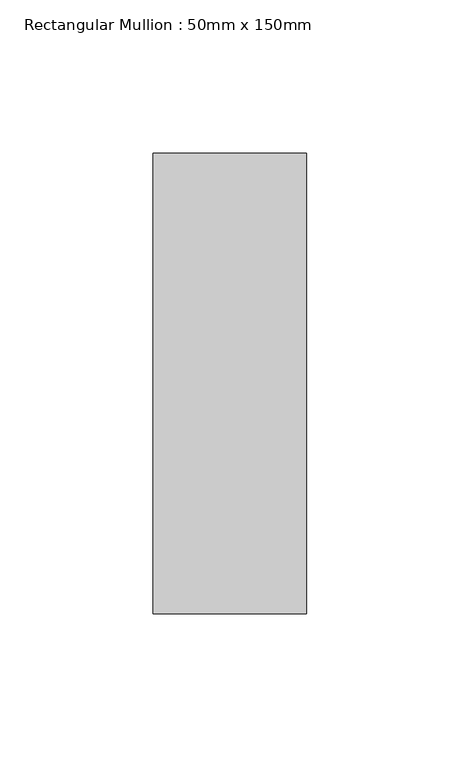
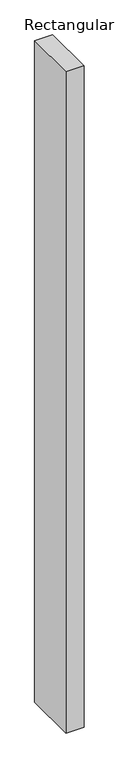
"""IFC4 building model written with IfcOpenShell, lengths in millimetres: member geometry, Rectangular Mullion : 50mm x 150mm."""

from ifc_helpers import new_model, si_unit, frame, origin, place, context, project, spatial, polyline, outline, extrude, source, transform, mapped, element, save


def rectangular_mullion_50mm_x_150mm_a5071677(model_context):
    return source(origin(), model_context, "Body", "SweptSolid", [
        extrude(outline(polyline([(0.0, 75.0), (0.0, -75.0), (-50.0, -75.0), (-50.0, 75.0), (0.0, 75.0)])), frame((0.0, 0.0, -1936.6666667), z_axis=(0.0, 0.0, 1.0), x_axis=(1.0, 0.0, 0.0)), (0.0, 0.0, 1.0), 1936.6666667),
    ])


if __name__ == "__main__":
    model = new_model("IFC4")
    model_context = context("Model", 3, world=origin())
    ifc_project = project(units=[si_unit("LENGTHUNIT", "METRE", prefix="MILLI")], contexts=[model_context])
    site = spatial("IfcSite", under=ifc_project)
    building = spatial("IfcBuilding", under=site)
    placement = place(None, origin())
    rectangular_mullion_50mm_x_150mm_shape = rectangular_mullion_50mm_x_150mm_a5071677(model_context)
    element("IfcMember", 1, ObjectType="Rectangular Mullion : 50mm x 150mm", at=placement, inside=building, context=model_context, shape_type="MappedRepresentation", body=[
        mapped(rectangular_mullion_50mm_x_150mm_shape, transform((0.0, 0.0, 0.0), x_axis=(1.0, 0.0, 0.0), y_axis=(0.0, 1.0, 0.0), z_axis=(0.0, 0.0, 1.0))),
    ])
    save(model, "model.ifc")
